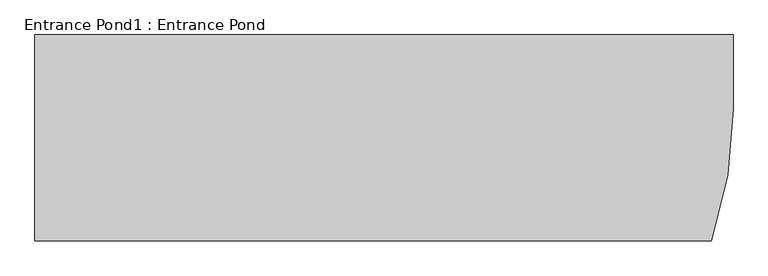
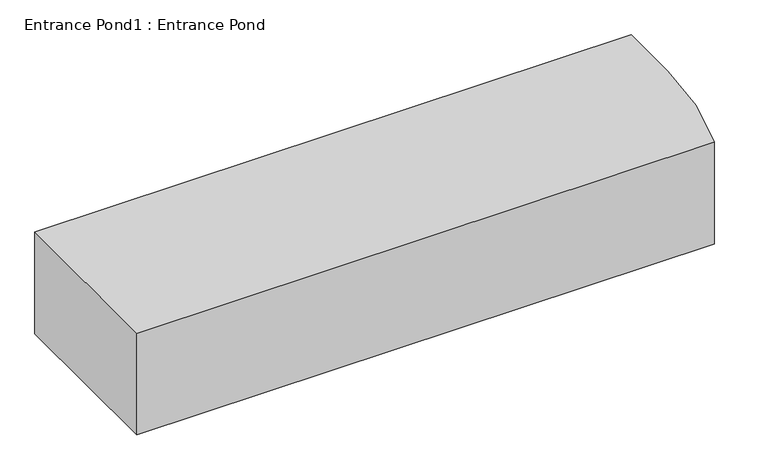
"""IFC4 building model written with IfcOpenShell, lengths in millimetres: proxy geometry, Entrance Pond1 : Entrance Pond."""

from ifc_helpers import new_model, si_unit, point, frame, frame_2d, origin, place, context, project, spatial, polyline, circle_curve, trimmed, segment, composite_curve, outline, extrude, source, transform, mapped, element, save


def entrance_pond1_entrance_pond_195494cc(model_context):
    return source(origin(), model_context, "Body", "SweptSolid", [
        extrude(outline(composite_curve([segment(polyline([(103560.1852312, -39589.4234192), (103560.1852312, -38579.0667044), (106975.1852312, -38579.0667044), (106975.1852312, -38939.4234192)]), True, "CONTINUOUS"), segment(trimmed(circle_curve(frame_2d((104950.1852312, -38939.4234192)), 2025.0), [point((106975.1852312, -38939.4234192))], [point((106868.0290726, -39589.4234192))], False, "CARTESIAN"), True, "CONTINUOUS"), segment(polyline([(106868.0290726, -39589.4234192), (103560.1852312, -39589.4234192)]), True, "CONTINUOUS")], self_intersect=False)), frame((0.0, 0.0, 67200.0), z_axis=(0.0, 0.0, 1.0), x_axis=(1.0, 0.0, 0.0)), (0.0, 0.0, 1.0), 616.7342484),
    ])


if __name__ == "__main__":
    model = new_model("IFC4")
    model_context = context("Model", 3, world=origin())
    ifc_project = project(units=[si_unit("LENGTHUNIT", "METRE", prefix="MILLI")], contexts=[model_context])
    site = spatial("IfcSite", under=ifc_project)
    building = spatial("IfcBuilding", under=site)
    placement = place(None, origin())
    entrance_pond1_entrance_pond_shape = entrance_pond1_entrance_pond_195494cc(model_context)
    element("IfcBuildingElementProxy", 1, Name="Entrance Pond1 : Entrance Pond", ObjectType="Entrance Pond1 : Entrance Pond", at=placement, inside=building, context=model_context, shape_type="MappedRepresentation", body=[
        mapped(entrance_pond1_entrance_pond_shape, transform((0.0, 0.0, 0.0), x_axis=(1.0, 0.0, 0.0), y_axis=(0.0, 1.0, 0.0), z_axis=(0.0, 0.0, 1.0))),
    ])
    save(model, "model.ifc")
